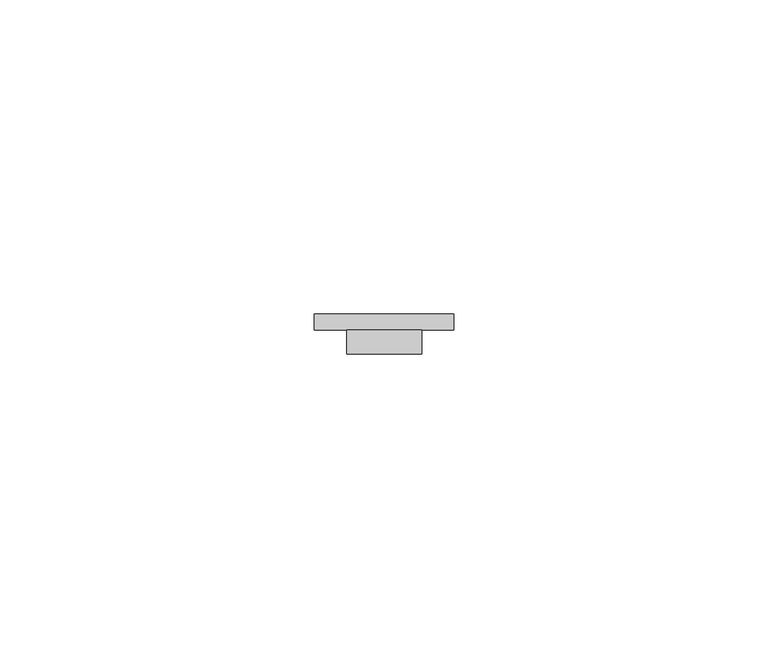
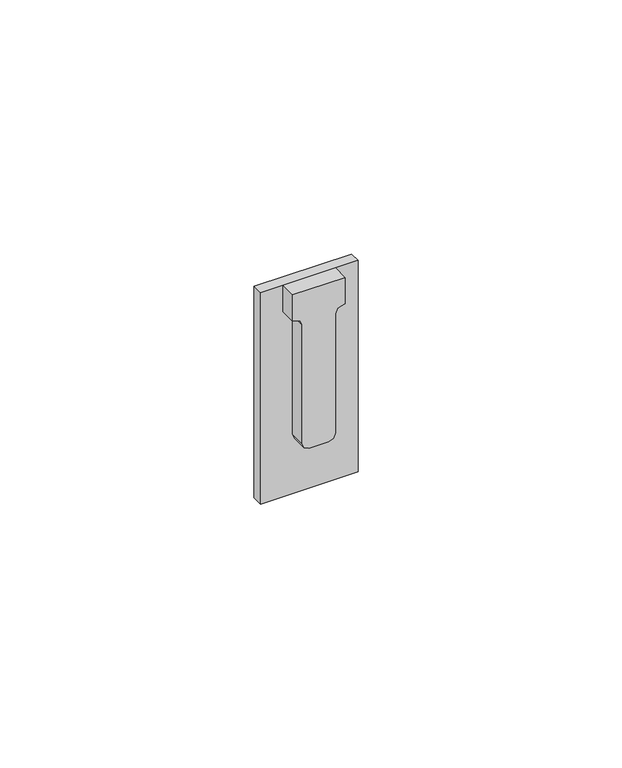
"""IFC4 building model written with IfcOpenShell, lengths in millimetres: furniture geometry."""

from ifc_helpers import new_model, si_unit, frame, origin, place, context, project, spatial, polyline, outline, extrude, source, transform, mapped, element, save


def furniture_bd6b0d3a(model_context):
    return source(origin(), model_context, "Body", "SweptSolid", [
        extrude(outline(polyline([(1111.262693, 29.2099994), (1112.3852262, 29.6749669), (1112.7448834, 30.5433045), (1112.8570436, 31.3689996), (1119.1875015, 31.3689996), (1119.1875015, 19.4309996), (1112.8501688, 19.4309996), (1112.7117684, 20.215907), (1112.3852262, 21.1250323), (1111.262693, 21.5899998), (1082.687693, 21.5899998), (1081.5651598, 22.0549674), (1081.1002172, 23.1775006), (1081.1002172, 27.6225009), (1081.5651598, 28.7450319), (1082.687693, 29.2099994), (1111.262693, 29.2099994)])), frame((0.0, -3.8100001, 0.0), z_axis=(0.0, 1.0, 0.0), x_axis=(0.0, 0.0, 1.0)), (0.0, 0.0, 1.0), 3.8100001),
        extrude(outline(polyline([(36.5125008, 0.0), (14.2747998, 0.0), (14.2747998, 2.5400001), (36.5125008, 2.5400001), (36.5125008, 0.0)])), frame((0.0, 0.0, 1068.3875), z_axis=(0.0, 0.0, 1.0), x_axis=(1.0, 0.0, 0.0)), (0.0, 0.0, 1.0), 50.8000015),
    ])


if __name__ == "__main__":
    model = new_model("IFC4")
    model_context = context("Model", 3, world=origin())
    ifc_project = project(units=[si_unit("LENGTHUNIT", "METRE", prefix="MILLI")], contexts=[model_context])
    site = spatial("IfcSite", under=ifc_project)
    building = spatial("IfcBuilding", under=site)
    placement = place(None, origin())
    furniture_shape = furniture_bd6b0d3a(model_context)
    element("IfcFurniture", 1, at=placement, inside=building, context=model_context, shape_type="MappedRepresentation", body=[
        mapped(furniture_shape, transform((0.0, 0.0, 0.0), x_axis=(1.0, 0.0, 0.0), y_axis=(0.0, 1.0, 0.0), z_axis=(0.0, 0.0, 1.0))),
    ])
    save(model, "model.ifc")
